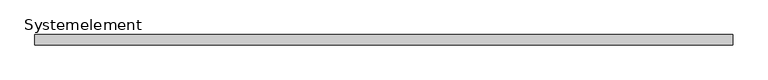
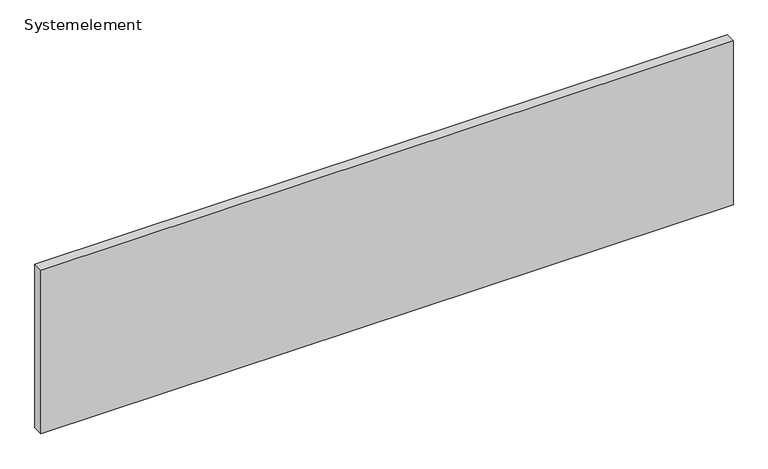
"""IFC4 building model written with IfcOpenShell, lengths in millimetres: plate geometry, Systemelement."""

from ifc_helpers import new_model, si_unit, origin, origin_with_axes, place, context, project, spatial, polyline, outline, extrude, source, transform, mapped, element, save


def systemelement_c810bc0e(model_context):
    return source(origin(), model_context, "Body", "SweptSolid", [
        extrude(outline(polyline([(2000.0, -60.0), (-2000.0, -60.0), (-2000.0, 0.0), (2000.0, 0.0), (2000.0, -60.0)])), origin_with_axes(), (0.0, 0.0, 1.0), 1000.0),
    ])


if __name__ == "__main__":
    model = new_model("IFC4")
    model_context = context("Model", 3, world=origin())
    ifc_project = project(units=[si_unit("LENGTHUNIT", "METRE", prefix="MILLI")], contexts=[model_context])
    site = spatial("IfcSite", under=ifc_project)
    building = spatial("IfcBuilding", under=site)
    placement = place(None, origin())
    systemelement_shape = systemelement_c810bc0e(model_context)
    element("IfcPlate", 1, ObjectType="Systemelement", at=placement, inside=building, context=model_context, shape_type="MappedRepresentation", body=[
        mapped(systemelement_shape, transform((0.0, 0.0, 0.0), x_axis=(1.0, 0.0, 0.0), y_axis=(0.0, 1.0, 0.0), z_axis=(0.0, 0.0, 1.0))),
    ])
    save(model, "model.ifc")
